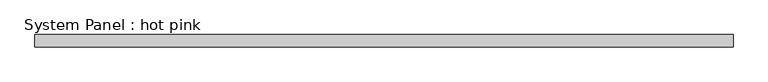
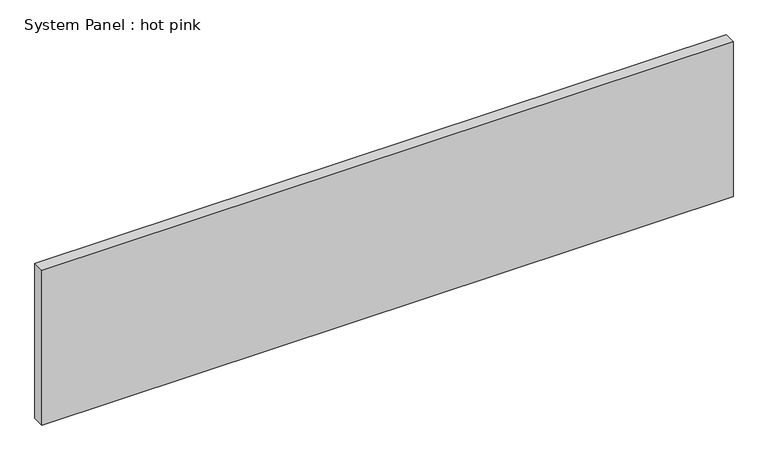
"""IFC4 building model written with IfcOpenShell, lengths in millimetres: plate geometry, System Panel : hot pink."""

from ifc_helpers import new_model, si_unit, origin, origin_with_axes, place, context, project, spatial, polyline, outline, extrude, source, transform, mapped, element, save


def system_panel_hot_pink_fdbe90e5(model_context):
    return source(origin(), model_context, "Body", "SweptSolid", [
        extrude(outline(polyline([(1797.05, -44.45), (-1797.05, -44.45), (-1797.05, 19.05), (1797.05, 19.05), (1797.05, -44.45)])), origin_with_axes(), (0.0, 0.0, 1.0), 850.9),
    ])


if __name__ == "__main__":
    model = new_model("IFC4")
    model_context = context("Model", 3, world=origin())
    ifc_project = project(units=[si_unit("LENGTHUNIT", "METRE", prefix="MILLI")], contexts=[model_context])
    site = spatial("IfcSite", under=ifc_project)
    building = spatial("IfcBuilding", under=site)
    placement = place(None, origin())
    system_panel_hot_pink_shape = system_panel_hot_pink_fdbe90e5(model_context)
    element("IfcPlate", 1, ObjectType="System Panel : hot pink", at=placement, inside=building, context=model_context, shape_type="MappedRepresentation", body=[
        mapped(system_panel_hot_pink_shape, transform((0.0, 0.0, 0.0), x_axis=(1.0, 0.0, 0.0), y_axis=(0.0, 1.0, 0.0), z_axis=(0.0, 0.0, 1.0))),
    ])
    save(model, "model.ifc")
